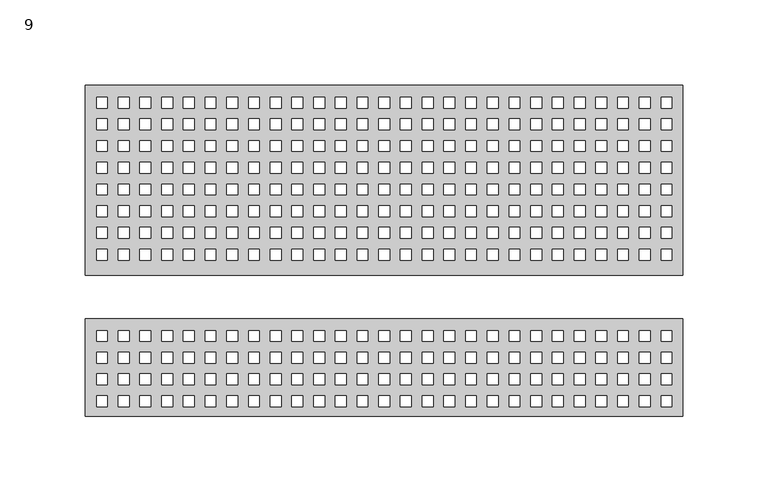
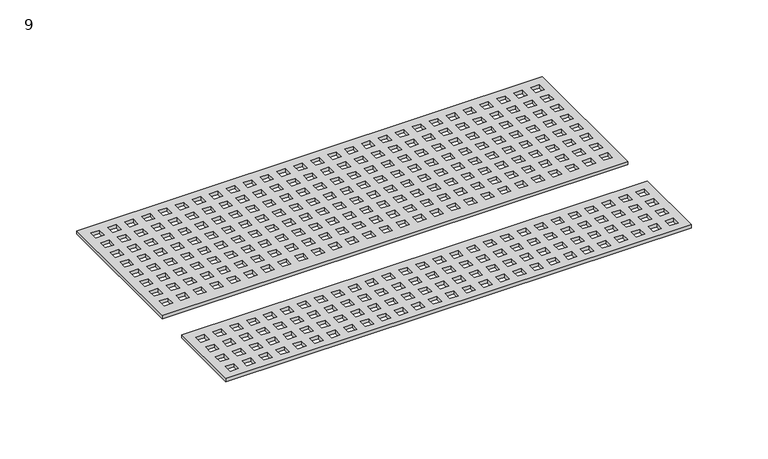
"""IFC4 building model written with IfcOpenShell, lengths in millimetres: furniture geometry, 9."""

from ifc_helpers import new_model, si_unit, frame, origin, place, context, project, spatial, polyline, outline, extrude, source, transform, mapped, element, save


def furniture_9_2f87063f(model_context):
    return source(origin(), model_context, "Body", "SweptSolid", [
        extrude(outline(polyline([(863.4796415, 220.472), (514.2296415, 220.472), (514.2296415, 277.622), (863.4796415, 277.622), (863.4796415, 220.472)]), holes=[polyline([(527.0542734, 226.2020787), (527.0542734, 232.5520787), (520.7042734, 232.5520787), (520.7042734, 226.2020787), (527.0542734, 226.2020787)]), polyline([(527.0542734, 238.9020787), (527.0542734, 245.2520787), (520.7042734, 245.2520787), (520.7042734, 238.9020787), (527.0542734, 238.9020787)]), polyline([(527.0542734, 251.6020787), (527.0542734, 257.9520787), (520.7042734, 257.9520787), (520.7042734, 251.6020787), (527.0542734, 251.6020787)]), polyline([(527.0542734, 264.3020787), (527.0542734, 270.6520787), (520.7042734, 270.6520787), (520.7042734, 264.3020787), (527.0542734, 264.3020787)]), polyline([(539.7542734, 226.2020787), (539.7542734, 232.5520787), (533.4042734, 232.5520787), (533.4042734, 226.2020787), (539.7542734, 226.2020787)]), polyline([(539.7542734, 238.9020787), (539.7542734, 245.2520787), (533.4042734, 245.2520787), (533.4042734, 238.9020787), (539.7542734, 238.9020787)]), polyline([(539.7542734, 251.6020787), (539.7542734, 257.9520787), (533.4042734, 257.9520787), (533.4042734, 251.6020787), (539.7542734, 251.6020787)]), polyline([(539.7542734, 264.3020787), (539.7542734, 270.6520787), (533.4042734, 270.6520787), (533.4042734, 264.3020787), (539.7542734, 264.3020787)]), polyline([(552.4542734, 226.2020787), (552.4542734, 232.5520787), (546.1042734, 232.5520787), (546.1042734, 226.2020787), (552.4542734, 226.2020787)]), polyline([(552.4542734, 238.9020787), (552.4542734, 245.2520787), (546.1042734, 245.2520787), (546.1042734, 238.9020787), (552.4542734, 238.9020787)]), polyline([(552.4542734, 251.6020787), (552.4542734, 257.9520787), (546.1042734, 257.9520787), (546.1042734, 251.6020787), (552.4542734, 251.6020787)]), polyline([(552.4542734, 264.3020787), (552.4542734, 270.6520787), (546.1042734, 270.6520787), (546.1042734, 264.3020787), (552.4542734, 264.3020787)]), polyline([(565.1542734, 226.2020787), (565.1542734, 232.5520787), (558.8042734, 232.5520787), (558.8042734, 226.2020787), (565.1542734, 226.2020787)]), polyline([(565.1542734, 238.9020787), (565.1542734, 245.2520787), (558.8042734, 245.2520787), (558.8042734, 238.9020787), (565.1542734, 238.9020787)]), polyline([(565.1542734, 251.6020787), (565.1542734, 257.9520787), (558.8042734, 257.9520787), (558.8042734, 251.6020787), (565.1542734, 251.6020787)]), polyline([(565.1542734, 264.3020787), (565.1542734, 270.6520787), (558.8042734, 270.6520787), (558.8042734, 264.3020787), (565.1542734, 264.3020787)]), polyline([(577.8542734, 226.2020787), (577.8542734, 232.5520787), (571.5042734, 232.5520787), (571.5042734, 226.2020787), (577.8542734, 226.2020787)]), polyline([(577.8542734, 238.9020787), (577.8542734, 245.2520787), (571.5042734, 245.2520787), (571.5042734, 238.9020787), (577.8542734, 238.9020787)]), polyline([(577.8542734, 251.6020787), (577.8542734, 257.9520787), (571.5042734, 257.9520787), (571.5042734, 251.6020787), (577.8542734, 251.6020787)]), polyline([(577.8542734, 264.3020787), (577.8542734, 270.6520787), (571.5042734, 270.6520787), (571.5042734, 264.3020787), (577.8542734, 264.3020787)]), polyline([(590.5542734, 226.2020787), (590.5542734, 232.5520787), (584.2042734, 232.5520787), (584.2042734, 226.2020787), (590.5542734, 226.2020787)]), polyline([(590.5542734, 238.9020787), (590.5542734, 245.2520787), (584.2042734, 245.2520787), (584.2042734, 238.9020787), (590.5542734, 238.9020787)]), polyline([(590.5542734, 251.6020787), (590.5542734, 257.9520787), (584.2042734, 257.9520787), (584.2042734, 251.6020787), (590.5542734, 251.6020787)]), polyline([(590.5542734, 264.3020787), (590.5542734, 270.6520787), (584.2042734, 270.6520787), (584.2042734, 264.3020787), (590.5542734, 264.3020787)]), polyline([(603.2542734, 226.2020787), (603.2542734, 232.5520787), (596.9042734, 232.5520787), (596.9042734, 226.2020787), (603.2542734, 226.2020787)]), polyline([(603.2542734, 238.9020787), (603.2542734, 245.2520787), (596.9042734, 245.2520787), (596.9042734, 238.9020787), (603.2542734, 238.9020787)]), polyline([(603.2542734, 251.6020787), (603.2542734, 257.9520787), (596.9042734, 257.9520787), (596.9042734, 251.6020787), (603.2542734, 251.6020787)]), polyline([(603.2542734, 264.3020787), (603.2542734, 270.6520787), (596.9042734, 270.6520787), (596.9042734, 264.3020787), (603.2542734, 264.3020787)]), polyline([(615.9542734, 226.2020787), (615.9542734, 232.5520787), (609.6042734, 232.5520787), (609.6042734, 226.2020787), (615.9542734, 226.2020787)]), polyline([(615.9542734, 238.9020787), (615.9542734, 245.2520787), (609.6042734, 245.2520787), (609.6042734, 238.9020787), (615.9542734, 238.9020787)]), polyline([(615.9542734, 251.6020787), (615.9542734, 257.9520787), (609.6042734, 257.9520787), (609.6042734, 251.6020787), (615.9542734, 251.6020787)]), polyline([(615.9542734, 264.3020787), (615.9542734, 270.6520787), (609.6042734, 270.6520787), (609.6042734, 264.3020787), (615.9542734, 264.3020787)]), polyline([(628.6542734, 226.2020787), (628.6542734, 232.5520787), (622.3042734, 232.5520787), (622.3042734, 226.2020787), (628.6542734, 226.2020787)]), polyline([(628.6542734, 238.9020787), (628.6542734, 245.2520787), (622.3042734, 245.2520787), (622.3042734, 238.9020787), (628.6542734, 238.9020787)]), polyline([(628.6542734, 251.6020787), (628.6542734, 257.9520787), (622.3042734, 257.9520787), (622.3042734, 251.6020787), (628.6542734, 251.6020787)]), polyline([(628.6542734, 264.3020787), (628.6542734, 270.6520787), (622.3042734, 270.6520787), (622.3042734, 264.3020787), (628.6542734, 264.3020787)]), polyline([(641.3542734, 226.2020787), (641.3542734, 232.5520787), (635.0042734, 232.5520787), (635.0042734, 226.2020787), (641.3542734, 226.2020787)]), polyline([(641.3542734, 238.9020787), (641.3542734, 245.2520787), (635.0042734, 245.2520787), (635.0042734, 238.9020787), (641.3542734, 238.9020787)]), polyline([(641.3542734, 251.6020787), (641.3542734, 257.9520787), (635.0042734, 257.9520787), (635.0042734, 251.6020787), (641.3542734, 251.6020787)]), polyline([(641.3542734, 264.3020787), (641.3542734, 270.6520787), (635.0042734, 270.6520787), (635.0042734, 264.3020787), (641.3542734, 264.3020787)]), polyline([(654.0542734, 226.2020787), (654.0542734, 232.5520787), (647.7042734, 232.5520787), (647.7042734, 226.2020787), (654.0542734, 226.2020787)]), polyline([(654.0542734, 238.9020787), (654.0542734, 245.2520787), (647.7042734, 245.2520787), (647.7042734, 238.9020787), (654.0542734, 238.9020787)]), polyline([(654.0542734, 251.6020787), (654.0542734, 257.9520787), (647.7042734, 257.9520787), (647.7042734, 251.6020787), (654.0542734, 251.6020787)]), polyline([(654.0542734, 264.3020787), (654.0542734, 270.6520787), (647.7042734, 270.6520787), (647.7042734, 264.3020787), (654.0542734, 264.3020787)]), polyline([(666.7542734, 226.2020787), (666.7542734, 232.5520787), (660.4042734, 232.5520787), (660.4042734, 226.2020787), (666.7542734, 226.2020787)]), polyline([(666.7542734, 238.9020787), (666.7542734, 245.2520787), (660.4042734, 245.2520787), (660.4042734, 238.9020787), (666.7542734, 238.9020787)]), polyline([(666.7542734, 251.6020787), (666.7542734, 257.9520787), (660.4042734, 257.9520787), (660.4042734, 251.6020787), (666.7542734, 251.6020787)]), polyline([(666.7542734, 264.3020787), (666.7542734, 270.6520787), (660.4042734, 270.6520787), (660.4042734, 264.3020787), (666.7542734, 264.3020787)]), polyline([(679.4542734, 226.2020787), (679.4542734, 232.5520787), (673.1042734, 232.5520787), (673.1042734, 226.2020787), (679.4542734, 226.2020787)]), polyline([(679.4542734, 238.9020787), (679.4542734, 245.2520787), (673.1042734, 245.2520787), (673.1042734, 238.9020787), (679.4542734, 238.9020787)]), polyline([(679.4542734, 251.6020787), (679.4542734, 257.9520787), (673.1042734, 257.9520787), (673.1042734, 251.6020787), (679.4542734, 251.6020787)]), polyline([(679.4542734, 264.3020787), (679.4542734, 270.6520787), (673.1042734, 270.6520787), (673.1042734, 264.3020787), (679.4542734, 264.3020787)]), polyline([(692.1542734, 226.2020787), (692.1542734, 232.5520787), (685.8042734, 232.5520787), (685.8042734, 226.2020787), (692.1542734, 226.2020787)]), polyline([(692.1542734, 238.9020787), (692.1542734, 245.2520787), (685.8042734, 245.2520787), (685.8042734, 238.9020787), (692.1542734, 238.9020787)]), polyline([(692.1542734, 251.6020787), (692.1542734, 257.9520787), (685.8042734, 257.9520787), (685.8042734, 251.6020787), (692.1542734, 251.6020787)]), polyline([(692.1542734, 264.3020787), (692.1542734, 270.6520787), (685.8042734, 270.6520787), (685.8042734, 264.3020787), (692.1542734, 264.3020787)]), polyline([(704.8542734, 226.2020787), (704.8542734, 232.5520787), (698.5042734, 232.5520787), (698.5042734, 226.2020787), (704.8542734, 226.2020787)]), polyline([(704.8542734, 238.9020787), (704.8542734, 245.2520787), (698.5042734, 245.2520787), (698.5042734, 238.9020787), (704.8542734, 238.9020787)]), polyline([(704.8542734, 251.6020787), (704.8542734, 257.9520787), (698.5042734, 257.9520787), (698.5042734, 251.6020787), (704.8542734, 251.6020787)]), polyline([(704.8542734, 264.3020787), (704.8542734, 270.6520787), (698.5042734, 270.6520787), (698.5042734, 264.3020787), (704.8542734, 264.3020787)]), polyline([(717.5542734, 226.2020787), (717.5542734, 232.5520787), (711.2042734, 232.5520787), (711.2042734, 226.2020787), (717.5542734, 226.2020787)]), polyline([(717.5542734, 238.9020787), (717.5542734, 245.2520787), (711.2042734, 245.2520787), (711.2042734, 238.9020787), (717.5542734, 238.9020787)]), polyline([(717.5542734, 251.6020787), (717.5542734, 257.9520787), (711.2042734, 257.9520787), (711.2042734, 251.6020787), (717.5542734, 251.6020787)]), polyline([(717.5542734, 264.3020787), (717.5542734, 270.6520787), (711.2042734, 270.6520787), (711.2042734, 264.3020787), (717.5542734, 264.3020787)]), polyline([(730.2542734, 226.2020787), (730.2542734, 232.5520787), (723.9042734, 232.5520787), (723.9042734, 226.2020787), (730.2542734, 226.2020787)]), polyline([(730.2542734, 238.9020787), (730.2542734, 245.2520787), (723.9042734, 245.2520787), (723.9042734, 238.9020787), (730.2542734, 238.9020787)]), polyline([(730.2542734, 251.6020787), (730.2542734, 257.9520787), (723.9042734, 257.9520787), (723.9042734, 251.6020787), (730.2542734, 251.6020787)]), polyline([(730.2542734, 264.3020787), (730.2542734, 270.6520787), (723.9042734, 270.6520787), (723.9042734, 264.3020787), (730.2542734, 264.3020787)]), polyline([(742.9542734, 226.2020787), (742.9542734, 232.5520787), (736.6042734, 232.5520787), (736.6042734, 226.2020787), (742.9542734, 226.2020787)]), polyline([(742.9542734, 238.9020787), (742.9542734, 245.2520787), (736.6042734, 245.2520787), (736.6042734, 238.9020787), (742.9542734, 238.9020787)]), polyline([(742.9542734, 251.6020787), (742.9542734, 257.9520787), (736.6042734, 257.9520787), (736.6042734, 251.6020787), (742.9542734, 251.6020787)]), polyline([(742.9542734, 264.3020787), (742.9542734, 270.6520787), (736.6042734, 270.6520787), (736.6042734, 264.3020787), (742.9542734, 264.3020787)]), polyline([(755.6542734, 226.2020787), (755.6542734, 232.5520787), (749.3042734, 232.5520787), (749.3042734, 226.2020787), (755.6542734, 226.2020787)]), polyline([(755.6542734, 238.9020787), (755.6542734, 245.2520787), (749.3042734, 245.2520787), (749.3042734, 238.9020787), (755.6542734, 238.9020787)]), polyline([(755.6542734, 251.6020787), (755.6542734, 257.9520787), (749.3042734, 257.9520787), (749.3042734, 251.6020787), (755.6542734, 251.6020787)]), polyline([(755.6542734, 264.3020787), (755.6542734, 270.6520787), (749.3042734, 270.6520787), (749.3042734, 264.3020787), (755.6542734, 264.3020787)]), polyline([(768.3542734, 226.2020787), (768.3542734, 232.5520787), (762.0042734, 232.5520787), (762.0042734, 226.2020787), (768.3542734, 226.2020787)]), polyline([(768.3542734, 238.9020787), (768.3542734, 245.2520787), (762.0042734, 245.2520787), (762.0042734, 238.9020787), (768.3542734, 238.9020787)]), polyline([(768.3542734, 251.6020787), (768.3542734, 257.9520787), (762.0042734, 257.9520787), (762.0042734, 251.6020787), (768.3542734, 251.6020787)]), polyline([(768.3542734, 264.3020787), (768.3542734, 270.6520787), (762.0042734, 270.6520787), (762.0042734, 264.3020787), (768.3542734, 264.3020787)]), polyline([(781.0542734, 226.2020787), (781.0542734, 232.5520787), (774.7042734, 232.5520787), (774.7042734, 226.2020787), (781.0542734, 226.2020787)]), polyline([(781.0542734, 238.9020787), (781.0542734, 245.2520787), (774.7042734, 245.2520787), (774.7042734, 238.9020787), (781.0542734, 238.9020787)]), polyline([(781.0542734, 251.6020787), (781.0542734, 257.9520787), (774.7042734, 257.9520787), (774.7042734, 251.6020787), (781.0542734, 251.6020787)]), polyline([(781.0542734, 264.3020787), (781.0542734, 270.6520787), (774.7042734, 270.6520787), (774.7042734, 264.3020787), (781.0542734, 264.3020787)]), polyline([(793.7542734, 226.2020787), (793.7542734, 232.5520787), (787.4042734, 232.5520787), (787.4042734, 226.2020787), (793.7542734, 226.2020787)]), polyline([(793.7542734, 238.9020787), (793.7542734, 245.2520787), (787.4042734, 245.2520787), (787.4042734, 238.9020787), (793.7542734, 238.9020787)]), polyline([(793.7542734, 251.6020787), (793.7542734, 257.9520787), (787.4042734, 257.9520787), (787.4042734, 251.6020787), (793.7542734, 251.6020787)]), polyline([(793.7542734, 264.3020787), (793.7542734, 270.6520787), (787.4042734, 270.6520787), (787.4042734, 264.3020787), (793.7542734, 264.3020787)]), polyline([(806.4542734, 226.2020787), (806.4542734, 232.5520787), (800.1042734, 232.5520787), (800.1042734, 226.2020787), (806.4542734, 226.2020787)]), polyline([(806.4542734, 238.9020787), (806.4542734, 245.2520787), (800.1042734, 245.2520787), (800.1042734, 238.9020787), (806.4542734, 238.9020787)]), polyline([(806.4542734, 251.6020787), (806.4542734, 257.9520787), (800.1042734, 257.9520787), (800.1042734, 251.6020787), (806.4542734, 251.6020787)]), polyline([(806.4542734, 264.3020787), (806.4542734, 270.6520787), (800.1042734, 270.6520787), (800.1042734, 264.3020787), (806.4542734, 264.3020787)]), polyline([(819.1542734, 226.2020787), (819.1542734, 232.5520787), (812.8042734, 232.5520787), (812.8042734, 226.2020787), (819.1542734, 226.2020787)]), polyline([(819.1542734, 238.9020787), (819.1542734, 245.2520787), (812.8042734, 245.2520787), (812.8042734, 238.9020787), (819.1542734, 238.9020787)]), polyline([(819.1542734, 251.6020787), (819.1542734, 257.9520787), (812.8042734, 257.9520787), (812.8042734, 251.6020787), (819.1542734, 251.6020787)]), polyline([(819.1542734, 264.3020787), (819.1542734, 270.6520787), (812.8042734, 270.6520787), (812.8042734, 264.3020787), (819.1542734, 264.3020787)]), polyline([(831.8542734, 226.2020787), (831.8542734, 232.5520787), (825.5042734, 232.5520787), (825.5042734, 226.2020787), (831.8542734, 226.2020787)]), polyline([(831.8542734, 238.9020787), (831.8542734, 245.2520787), (825.5042734, 245.2520787), (825.5042734, 238.9020787), (831.8542734, 238.9020787)]), polyline([(831.8542734, 251.6020787), (831.8542734, 257.9520787), (825.5042734, 257.9520787), (825.5042734, 251.6020787), (831.8542734, 251.6020787)]), polyline([(831.8542734, 264.3020787), (831.8542734, 270.6520787), (825.5042734, 270.6520787), (825.5042734, 264.3020787), (831.8542734, 264.3020787)]), polyline([(844.5542734, 226.2020787), (844.5542734, 232.5520787), (838.2042734, 232.5520787), (838.2042734, 226.2020787), (844.5542734, 226.2020787)]), polyline([(844.5542734, 238.9020787), (844.5542734, 245.2520787), (838.2042734, 245.2520787), (838.2042734, 238.9020787), (844.5542734, 238.9020787)]), polyline([(844.5542734, 251.6020787), (844.5542734, 257.9520787), (838.2042734, 257.9520787), (838.2042734, 251.6020787), (844.5542734, 251.6020787)]), polyline([(844.5542734, 264.3020787), (844.5542734, 270.6520787), (838.2042734, 270.6520787), (838.2042734, 264.3020787), (844.5542734, 264.3020787)]), polyline([(857.2542734, 226.2020787), (857.2542734, 232.5520787), (850.9042734, 232.5520787), (850.9042734, 226.2020787), (857.2542734, 226.2020787)]), polyline([(857.2542734, 238.9020787), (857.2542734, 245.2520787), (850.9042734, 245.2520787), (850.9042734, 238.9020787), (857.2542734, 238.9020787)]), polyline([(857.2542734, 251.6020787), (857.2542734, 257.9520787), (850.9042734, 257.9520787), (850.9042734, 251.6020787), (857.2542734, 251.6020787)]), polyline([(857.2542734, 264.3020787), (857.2542734, 270.6520787), (850.9042734, 270.6520787), (850.9042734, 264.3020787), (857.2542734, 264.3020787)])]), frame((0.0, 0.0, 739.775), z_axis=(0.0, 0.0, 1.0), x_axis=(1.0, 0.0, 0.0)), (0.0, 0.0, 1.0), 2.54),
        extrude(outline(polyline([(863.4796415, 303.022), (514.2296415, 303.022), (514.2296415, 414.02), (863.4796415, 414.02), (863.4796415, 303.022)]), holes=[polyline([(527.0542734, 311.9270787), (527.0542734, 318.2770787), (520.7042734, 318.2770787), (520.7042734, 311.9270787), (527.0542734, 311.9270787)]), polyline([(527.0542734, 324.6270787), (527.0542734, 330.9770787), (520.7042734, 330.9770787), (520.7042734, 324.6270787), (527.0542734, 324.6270787)]), polyline([(527.0542734, 337.3270787), (527.0542734, 343.6770787), (520.7042734, 343.6770787), (520.7042734, 337.3270787), (527.0542734, 337.3270787)]), polyline([(527.0542734, 350.0270787), (527.0542734, 356.3770787), (520.7042734, 356.3770787), (520.7042734, 350.0270787), (527.0542734, 350.0270787)]), polyline([(539.7542734, 311.9270787), (539.7542734, 318.2770787), (533.4042734, 318.2770787), (533.4042734, 311.9270787), (539.7542734, 311.9270787)]), polyline([(539.7542734, 324.6270787), (539.7542734, 330.9770787), (533.4042734, 330.9770787), (533.4042734, 324.6270787), (539.7542734, 324.6270787)]), polyline([(539.7542734, 337.3270787), (539.7542734, 343.6770787), (533.4042734, 343.6770787), (533.4042734, 337.3270787), (539.7542734, 337.3270787)]), polyline([(539.7542734, 350.0270787), (539.7542734, 356.3770787), (533.4042734, 356.3770787), (533.4042734, 350.0270787), (539.7542734, 350.0270787)]), polyline([(552.4542734, 311.9270787), (552.4542734, 318.2770787), (546.1042734, 318.2770787), (546.1042734, 311.9270787), (552.4542734, 311.9270787)]), polyline([(552.4542734, 324.6270787), (552.4542734, 330.9770787), (546.1042734, 330.9770787), (546.1042734, 324.6270787), (552.4542734, 324.6270787)]), polyline([(552.4542734, 337.3270787), (552.4542734, 343.6770787), (546.1042734, 343.6770787), (546.1042734, 337.3270787), (552.4542734, 337.3270787)]), polyline([(552.4542734, 350.0270787), (552.4542734, 356.3770787), (546.1042734, 356.3770787), (546.1042734, 350.0270787), (552.4542734, 350.0270787)]), polyline([(565.1542734, 311.9270787), (565.1542734, 318.2770787), (558.8042734, 318.2770787), (558.8042734, 311.9270787), (565.1542734, 311.9270787)]), polyline([(565.1542734, 324.6270787), (565.1542734, 330.9770787), (558.8042734, 330.9770787), (558.8042734, 324.6270787), (565.1542734, 324.6270787)]), polyline([(565.1542734, 337.3270787), (565.1542734, 343.6770787), (558.8042734, 343.6770787), (558.8042734, 337.3270787), (565.1542734, 337.3270787)]), polyline([(565.1542734, 350.0270787), (565.1542734, 356.3770787), (558.8042734, 356.3770787), (558.8042734, 350.0270787), (565.1542734, 350.0270787)]), polyline([(577.8542734, 311.9270787), (577.8542734, 318.2770787), (571.5042734, 318.2770787), (571.5042734, 311.9270787), (577.8542734, 311.9270787)]), polyline([(577.8542734, 324.6270787), (577.8542734, 330.9770787), (571.5042734, 330.9770787), (571.5042734, 324.6270787), (577.8542734, 324.6270787)]), polyline([(577.8542734, 337.3270787), (577.8542734, 343.6770787), (571.5042734, 343.6770787), (571.5042734, 337.3270787), (577.8542734, 337.3270787)]), polyline([(577.8542734, 350.0270787), (577.8542734, 356.3770787), (571.5042734, 356.3770787), (571.5042734, 350.0270787), (577.8542734, 350.0270787)]), polyline([(590.5542734, 311.9270787), (590.5542734, 318.2770787), (584.2042734, 318.2770787), (584.2042734, 311.9270787), (590.5542734, 311.9270787)]), polyline([(590.5542734, 324.6270787), (590.5542734, 330.9770787), (584.2042734, 330.9770787), (584.2042734, 324.6270787), (590.5542734, 324.6270787)]), polyline([(590.5542734, 337.3270787), (590.5542734, 343.6770787), (584.2042734, 343.6770787), (584.2042734, 337.3270787), (590.5542734, 337.3270787)]), polyline([(590.5542734, 350.0270787), (590.5542734, 356.3770787), (584.2042734, 356.3770787), (584.2042734, 350.0270787), (590.5542734, 350.0270787)]), polyline([(603.2542734, 311.9270787), (603.2542734, 318.2770787), (596.9042734, 318.2770787), (596.9042734, 311.9270787), (603.2542734, 311.9270787)]), polyline([(603.2542734, 324.6270787), (603.2542734, 330.9770787), (596.9042734, 330.9770787), (596.9042734, 324.6270787), (603.2542734, 324.6270787)]), polyline([(603.2542734, 337.3270787), (603.2542734, 343.6770787), (596.9042734, 343.6770787), (596.9042734, 337.3270787), (603.2542734, 337.3270787)]), polyline([(603.2542734, 350.0270787), (603.2542734, 356.3770787), (596.9042734, 356.3770787), (596.9042734, 350.0270787), (603.2542734, 350.0270787)]), polyline([(615.9542734, 311.9270787), (615.9542734, 318.2770787), (609.6042734, 318.2770787), (609.6042734, 311.9270787), (615.9542734, 311.9270787)]), polyline([(615.9542734, 324.6270787), (615.9542734, 330.9770787), (609.6042734, 330.9770787), (609.6042734, 324.6270787), (615.9542734, 324.6270787)]), polyline([(615.9542734, 337.3270787), (615.9542734, 343.6770787), (609.6042734, 343.6770787), (609.6042734, 337.3270787), (615.9542734, 337.3270787)]), polyline([(615.9542734, 350.0270787), (615.9542734, 356.3770787), (609.6042734, 356.3770787), (609.6042734, 350.0270787), (615.9542734, 350.0270787)]), polyline([(628.6542734, 311.9270787), (628.6542734, 318.2770787), (622.3042734, 318.2770787), (622.3042734, 311.9270787), (628.6542734, 311.9270787)]), polyline([(628.6542734, 324.6270787), (628.6542734, 330.9770787), (622.3042734, 330.9770787), (622.3042734, 324.6270787), (628.6542734, 324.6270787)]), polyline([(628.6542734, 337.3270787), (628.6542734, 343.6770787), (622.3042734, 343.6770787), (622.3042734, 337.3270787), (628.6542734, 337.3270787)]), polyline([(628.6542734, 350.0270787), (628.6542734, 356.3770787), (622.3042734, 356.3770787), (622.3042734, 350.0270787), (628.6542734, 350.0270787)]), polyline([(641.3542734, 311.9270787), (641.3542734, 318.2770787), (635.0042734, 318.2770787), (635.0042734, 311.9270787), (641.3542734, 311.9270787)]), polyline([(641.3542734, 324.6270787), (641.3542734, 330.9770787), (635.0042734, 330.9770787), (635.0042734, 324.6270787), (641.3542734, 324.6270787)]), polyline([(641.3542734, 337.3270787), (641.3542734, 343.6770787), (635.0042734, 343.6770787), (635.0042734, 337.3270787), (641.3542734, 337.3270787)]), polyline([(641.3542734, 350.0270787), (641.3542734, 356.3770787), (635.0042734, 356.3770787), (635.0042734, 350.0270787), (641.3542734, 350.0270787)]), polyline([(654.0542734, 311.9270787), (654.0542734, 318.2770787), (647.7042734, 318.2770787), (647.7042734, 311.9270787), (654.0542734, 311.9270787)]), polyline([(654.0542734, 324.6270787), (654.0542734, 330.9770787), (647.7042734, 330.9770787), (647.7042734, 324.6270787), (654.0542734, 324.6270787)]), polyline([(654.0542734, 337.3270787), (654.0542734, 343.6770787), (647.7042734, 343.6770787), (647.7042734, 337.3270787), (654.0542734, 337.3270787)]), polyline([(654.0542734, 350.0270787), (654.0542734, 356.3770787), (647.7042734, 356.3770787), (647.7042734, 350.0270787), (654.0542734, 350.0270787)]), polyline([(666.7542734, 311.9270787), (666.7542734, 318.2770787), (660.4042734, 318.2770787), (660.4042734, 311.9270787), (666.7542734, 311.9270787)]), polyline([(666.7542734, 324.6270787), (666.7542734, 330.9770787), (660.4042734, 330.9770787), (660.4042734, 324.6270787), (666.7542734, 324.6270787)]), polyline([(666.7542734, 337.3270787), (666.7542734, 343.6770787), (660.4042734, 343.6770787), (660.4042734, 337.3270787), (666.7542734, 337.3270787)]), polyline([(666.7542734, 350.0270787), (666.7542734, 356.3770787), (660.4042734, 356.3770787), (660.4042734, 350.0270787), (666.7542734, 350.0270787)]), polyline([(679.4542734, 311.9270787), (679.4542734, 318.2770787), (673.1042734, 318.2770787), (673.1042734, 311.9270787), (679.4542734, 311.9270787)]), polyline([(679.4542734, 324.6270787), (679.4542734, 330.9770787), (673.1042734, 330.9770787), (673.1042734, 324.6270787), (679.4542734, 324.6270787)]), polyline([(679.4542734, 337.3270787), (679.4542734, 343.6770787), (673.1042734, 343.6770787), (673.1042734, 337.3270787), (679.4542734, 337.3270787)]), polyline([(679.4542734, 350.0270787), (679.4542734, 356.3770787), (673.1042734, 356.3770787), (673.1042734, 350.0270787), (679.4542734, 350.0270787)]), polyline([(692.1542734, 311.9270787), (692.1542734, 318.2770787), (685.8042734, 318.2770787), (685.8042734, 311.9270787), (692.1542734, 311.9270787)]), polyline([(692.1542734, 324.6270787), (692.1542734, 330.9770787), (685.8042734, 330.9770787), (685.8042734, 324.6270787), (692.1542734, 324.6270787)]), polyline([(692.1542734, 337.3270787), (692.1542734, 343.6770787), (685.8042734, 343.6770787), (685.8042734, 337.3270787), (692.1542734, 337.3270787)]), polyline([(692.1542734, 350.0270787), (692.1542734, 356.3770787), (685.8042734, 356.3770787), (685.8042734, 350.0270787), (692.1542734, 350.0270787)]), polyline([(704.8542734, 311.9270787), (704.8542734, 318.2770787), (698.5042734, 318.2770787), (698.5042734, 311.9270787), (704.8542734, 311.9270787)]), polyline([(704.8542734, 324.6270787), (704.8542734, 330.9770787), (698.5042734, 330.9770787), (698.5042734, 324.6270787), (704.8542734, 324.6270787)]), polyline([(704.8542734, 337.3270787), (704.8542734, 343.6770787), (698.5042734, 343.6770787), (698.5042734, 337.3270787), (704.8542734, 337.3270787)]), polyline([(704.8542734, 350.0270787), (704.8542734, 356.3770787), (698.5042734, 356.3770787), (698.5042734, 350.0270787), (704.8542734, 350.0270787)]), polyline([(717.5542734, 311.9270787), (717.5542734, 318.2770787), (711.2042734, 318.2770787), (711.2042734, 311.9270787), (717.5542734, 311.9270787)]), polyline([(717.5542734, 324.6270787), (717.5542734, 330.9770787), (711.2042734, 330.9770787), (711.2042734, 324.6270787), (717.5542734, 324.6270787)]), polyline([(717.5542734, 337.3270787), (717.5542734, 343.6770787), (711.2042734, 343.6770787), (711.2042734, 337.3270787), (717.5542734, 337.3270787)]), polyline([(717.5542734, 350.0270787), (717.5542734, 356.3770787), (711.2042734, 356.3770787), (711.2042734, 350.0270787), (717.5542734, 350.0270787)]), polyline([(730.2542734, 311.9270787), (730.2542734, 318.2770787), (723.9042734, 318.2770787), (723.9042734, 311.9270787), (730.2542734, 311.9270787)]), polyline([(730.2542734, 324.6270787), (730.2542734, 330.9770787), (723.9042734, 330.9770787), (723.9042734, 324.6270787), (730.2542734, 324.6270787)]), polyline([(730.2542734, 337.3270787), (730.2542734, 343.6770787), (723.9042734, 343.6770787), (723.9042734, 337.3270787), (730.2542734, 337.3270787)]), polyline([(730.2542734, 350.0270787), (730.2542734, 356.3770787), (723.9042734, 356.3770787), (723.9042734, 350.0270787), (730.2542734, 350.0270787)]), polyline([(742.9542734, 311.9270787), (742.9542734, 318.2770787), (736.6042734, 318.2770787), (736.6042734, 311.9270787), (742.9542734, 311.9270787)]), polyline([(742.9542734, 324.6270787), (742.9542734, 330.9770787), (736.6042734, 330.9770787), (736.6042734, 324.6270787), (742.9542734, 324.6270787)]), polyline([(742.9542734, 337.3270787), (742.9542734, 343.6770787), (736.6042734, 343.6770787), (736.6042734, 337.3270787), (742.9542734, 337.3270787)]), polyline([(742.9542734, 350.0270787), (742.9542734, 356.3770787), (736.6042734, 356.3770787), (736.6042734, 350.0270787), (742.9542734, 350.0270787)]), polyline([(755.6542734, 311.9270787), (755.6542734, 318.2770787), (749.3042734, 318.2770787), (749.3042734, 311.9270787), (755.6542734, 311.9270787)]), polyline([(755.6542734, 324.6270787), (755.6542734, 330.9770787), (749.3042734, 330.9770787), (749.3042734, 324.6270787), (755.6542734, 324.6270787)]), polyline([(755.6542734, 337.3270787), (755.6542734, 343.6770787), (749.3042734, 343.6770787), (749.3042734, 337.3270787), (755.6542734, 337.3270787)]), polyline([(755.6542734, 350.0270787), (755.6542734, 356.3770787), (749.3042734, 356.3770787), (749.3042734, 350.0270787), (755.6542734, 350.0270787)]), polyline([(768.3542734, 311.9270787), (768.3542734, 318.2770787), (762.0042734, 318.2770787), (762.0042734, 311.9270787), (768.3542734, 311.9270787)]), polyline([(768.3542734, 324.6270787), (768.3542734, 330.9770787), (762.0042734, 330.9770787), (762.0042734, 324.6270787), (768.3542734, 324.6270787)]), polyline([(768.3542734, 337.3270787), (768.3542734, 343.6770787), (762.0042734, 343.6770787), (762.0042734, 337.3270787), (768.3542734, 337.3270787)]), polyline([(768.3542734, 350.0270787), (768.3542734, 356.3770787), (762.0042734, 356.3770787), (762.0042734, 350.0270787), (768.3542734, 350.0270787)]), polyline([(781.0542734, 311.9270787), (781.0542734, 318.2770787), (774.7042734, 318.2770787), (774.7042734, 311.9270787), (781.0542734, 311.9270787)]), polyline([(781.0542734, 324.6270787), (781.0542734, 330.9770787), (774.7042734, 330.9770787), (774.7042734, 324.6270787), (781.0542734, 324.6270787)]), polyline([(781.0542734, 337.3270787), (781.0542734, 343.6770787), (774.7042734, 343.6770787), (774.7042734, 337.3270787), (781.0542734, 337.3270787)]), polyline([(781.0542734, 350.0270787), (781.0542734, 356.3770787), (774.7042734, 356.3770787), (774.7042734, 350.0270787), (781.0542734, 350.0270787)]), polyline([(793.7542734, 311.9270787), (793.7542734, 318.2770787), (787.4042734, 318.2770787), (787.4042734, 311.9270787), (793.7542734, 311.9270787)]), polyline([(793.7542734, 324.6270787), (793.7542734, 330.9770787), (787.4042734, 330.9770787), (787.4042734, 324.6270787), (793.7542734, 324.6270787)]), polyline([(793.7542734, 337.3270787), (793.7542734, 343.6770787), (787.4042734, 343.6770787), (787.4042734, 337.3270787), (793.7542734, 337.3270787)]), polyline([(793.7542734, 350.0270787), (793.7542734, 356.3770787), (787.4042734, 356.3770787), (787.4042734, 350.0270787), (793.7542734, 350.0270787)]), polyline([(806.4542734, 311.9270787), (806.4542734, 318.2770787), (800.1042734, 318.2770787), (800.1042734, 311.9270787), (806.4542734, 311.9270787)]), polyline([(806.4542734, 324.6270787), (806.4542734, 330.9770787), (800.1042734, 330.9770787), (800.1042734, 324.6270787), (806.4542734, 324.6270787)]), polyline([(806.4542734, 337.3270787), (806.4542734, 343.6770787), (800.1042734, 343.6770787), (800.1042734, 337.3270787), (806.4542734, 337.3270787)]), polyline([(806.4542734, 350.0270787), (806.4542734, 356.3770787), (800.1042734, 356.3770787), (800.1042734, 350.0270787), (806.4542734, 350.0270787)]), polyline([(819.1542734, 311.9270787), (819.1542734, 318.2770787), (812.8042734, 318.2770787), (812.8042734, 311.9270787), (819.1542734, 311.9270787)]), polyline([(819.1542734, 324.6270787), (819.1542734, 330.9770787), (812.8042734, 330.9770787), (812.8042734, 324.6270787), (819.1542734, 324.6270787)]), polyline([(819.1542734, 337.3270787), (819.1542734, 343.6770787), (812.8042734, 343.6770787), (812.8042734, 337.3270787), (819.1542734, 337.3270787)]), polyline([(819.1542734, 350.0270787), (819.1542734, 356.3770787), (812.8042734, 356.3770787), (812.8042734, 350.0270787), (819.1542734, 350.0270787)]), polyline([(831.8542734, 311.9270787), (831.8542734, 318.2770787), (825.5042734, 318.2770787), (825.5042734, 311.9270787), (831.8542734, 311.9270787)]), polyline([(831.8542734, 324.6270787), (831.8542734, 330.9770787), (825.5042734, 330.9770787), (825.5042734, 324.6270787), (831.8542734, 324.6270787)]), polyline([(831.8542734, 337.3270787), (831.8542734, 343.6770787), (825.5042734, 343.6770787), (825.5042734, 337.3270787), (831.8542734, 337.3270787)]), polyline([(831.8542734, 350.0270787), (831.8542734, 356.3770787), (825.5042734, 356.3770787), (825.5042734, 350.0270787), (831.8542734, 350.0270787)]), polyline([(844.5542734, 311.9270787), (844.5542734, 318.2770787), (838.2042734, 318.2770787), (838.2042734, 311.9270787), (844.5542734, 311.9270787)]), polyline([(844.5542734, 324.6270787), (844.5542734, 330.9770787), (838.2042734, 330.9770787), (838.2042734, 324.6270787), (844.5542734, 324.6270787)]), polyline([(844.5542734, 337.3270787), (844.5542734, 343.6770787), (838.2042734, 343.6770787), (838.2042734, 337.3270787), (844.5542734, 337.3270787)]), polyline([(844.5542734, 350.0270787), (844.5542734, 356.3770787), (838.2042734, 356.3770787), (838.2042734, 350.0270787), (844.5542734, 350.0270787)]), polyline([(857.2542734, 311.9270787), (857.2542734, 318.2770787), (850.9042734, 318.2770787), (850.9042734, 311.9270787), (857.2542734, 311.9270787)]), polyline([(857.2542734, 324.6270787), (857.2542734, 330.9770787), (850.9042734, 330.9770787), (850.9042734, 324.6270787), (857.2542734, 324.6270787)]), polyline([(857.2542734, 337.3270787), (857.2542734, 343.6770787), (850.9042734, 343.6770787), (850.9042734, 337.3270787), (857.2542734, 337.3270787)]), polyline([(857.2542734, 350.0270787), (857.2542734, 356.3770787), (850.9042734, 356.3770787), (850.9042734, 350.0270787), (857.2542734, 350.0270787)]), polyline([(527.0542734, 362.7270787), (527.0542734, 369.0770787), (520.7042734, 369.0770787), (520.7042734, 362.7270787), (527.0542734, 362.7270787)]), polyline([(527.0542734, 375.4270787), (527.0542734, 381.7770787), (520.7042734, 381.7770787), (520.7042734, 375.4270787), (527.0542734, 375.4270787)]), polyline([(527.0542734, 388.1270787), (527.0542734, 394.4770787), (520.7042734, 394.4770787), (520.7042734, 388.1270787), (527.0542734, 388.1270787)]), polyline([(539.7542734, 362.7270787), (539.7542734, 369.0770787), (533.4042734, 369.0770787), (533.4042734, 362.7270787), (539.7542734, 362.7270787)]), polyline([(539.7542734, 375.4270787), (539.7542734, 381.7770787), (533.4042734, 381.7770787), (533.4042734, 375.4270787), (539.7542734, 375.4270787)]), polyline([(539.7542734, 388.1270787), (539.7542734, 394.4770787), (533.4042734, 394.4770787), (533.4042734, 388.1270787), (539.7542734, 388.1270787)]), polyline([(552.4542734, 362.7270787), (552.4542734, 369.0770787), (546.1042734, 369.0770787), (546.1042734, 362.7270787), (552.4542734, 362.7270787)]), polyline([(552.4542734, 375.4270787), (552.4542734, 381.7770787), (546.1042734, 381.7770787), (546.1042734, 375.4270787), (552.4542734, 375.4270787)]), polyline([(552.4542734, 388.1270787), (552.4542734, 394.4770787), (546.1042734, 394.4770787), (546.1042734, 388.1270787), (552.4542734, 388.1270787)]), polyline([(565.1542734, 362.7270787), (565.1542734, 369.0770787), (558.8042734, 369.0770787), (558.8042734, 362.7270787), (565.1542734, 362.7270787)]), polyline([(565.1542734, 375.4270787), (565.1542734, 381.7770787), (558.8042734, 381.7770787), (558.8042734, 375.4270787), (565.1542734, 375.4270787)]), polyline([(565.1542734, 388.1270787), (565.1542734, 394.4770787), (558.8042734, 394.4770787), (558.8042734, 388.1270787), (565.1542734, 388.1270787)]), polyline([(577.8542734, 362.7270787), (577.8542734, 369.0770787), (571.5042734, 369.0770787), (571.5042734, 362.7270787), (577.8542734, 362.7270787)]), polyline([(577.8542734, 375.4270787), (577.8542734, 381.7770787), (571.5042734, 381.7770787), (571.5042734, 375.4270787), (577.8542734, 375.4270787)]), polyline([(577.8542734, 388.1270787), (577.8542734, 394.4770787), (571.5042734, 394.4770787), (571.5042734, 388.1270787), (577.8542734, 388.1270787)]), polyline([(590.5542734, 362.7270787), (590.5542734, 369.0770787), (584.2042734, 369.0770787), (584.2042734, 362.7270787), (590.5542734, 362.7270787)]), polyline([(590.5542734, 375.4270787), (590.5542734, 381.7770787), (584.2042734, 381.7770787), (584.2042734, 375.4270787), (590.5542734, 375.4270787)]), polyline([(590.5542734, 388.1270787), (590.5542734, 394.4770787), (584.2042734, 394.4770787), (584.2042734, 388.1270787), (590.5542734, 388.1270787)]), polyline([(603.2542734, 362.7270787), (603.2542734, 369.0770787), (596.9042734, 369.0770787), (596.9042734, 362.7270787), (603.2542734, 362.7270787)]), polyline([(603.2542734, 375.4270787), (603.2542734, 381.7770787), (596.9042734, 381.7770787), (596.9042734, 375.4270787), (603.2542734, 375.4270787)]), polyline([(603.2542734, 388.1270787), (603.2542734, 394.4770787), (596.9042734, 394.4770787), (596.9042734, 388.1270787), (603.2542734, 388.1270787)]), polyline([(615.9542734, 362.7270787), (615.9542734, 369.0770787), (609.6042734, 369.0770787), (609.6042734, 362.7270787), (615.9542734, 362.7270787)]), polyline([(615.9542734, 375.4270787), (615.9542734, 381.7770787), (609.6042734, 381.7770787), (609.6042734, 375.4270787), (615.9542734, 375.4270787)]), polyline([(615.9542734, 388.1270787), (615.9542734, 394.4770787), (609.6042734, 394.4770787), (609.6042734, 388.1270787), (615.9542734, 388.1270787)]), polyline([(628.6542734, 362.7270787), (628.6542734, 369.0770787), (622.3042734, 369.0770787), (622.3042734, 362.7270787), (628.6542734, 362.7270787)]), polyline([(628.6542734, 375.4270787), (628.6542734, 381.7770787), (622.3042734, 381.7770787), (622.3042734, 375.4270787), (628.6542734, 375.4270787)]), polyline([(628.6542734, 388.1270787), (628.6542734, 394.4770787), (622.3042734, 394.4770787), (622.3042734, 388.1270787), (628.6542734, 388.1270787)]), polyline([(641.3542734, 362.7270787), (641.3542734, 369.0770787), (635.0042734, 369.0770787), (635.0042734, 362.7270787), (641.3542734, 362.7270787)]), polyline([(641.3542734, 375.4270787), (641.3542734, 381.7770787), (635.0042734, 381.7770787), (635.0042734, 375.4270787), (641.3542734, 375.4270787)]), polyline([(641.3542734, 388.1270787), (641.3542734, 394.4770787), (635.0042734, 394.4770787), (635.0042734, 388.1270787), (641.3542734, 388.1270787)]), polyline([(654.0542734, 362.7270787), (654.0542734, 369.0770787), (647.7042734, 369.0770787), (647.7042734, 362.7270787), (654.0542734, 362.7270787)]), polyline([(654.0542734, 375.4270787), (654.0542734, 381.7770787), (647.7042734, 381.7770787), (647.7042734, 375.4270787), (654.0542734, 375.4270787)]), polyline([(654.0542734, 388.1270787), (654.0542734, 394.4770787), (647.7042734, 394.4770787), (647.7042734, 388.1270787), (654.0542734, 388.1270787)]), polyline([(666.7542734, 362.7270787), (666.7542734, 369.0770787), (660.4042734, 369.0770787), (660.4042734, 362.7270787), (666.7542734, 362.7270787)]), polyline([(666.7542734, 375.4270787), (666.7542734, 381.7770787), (660.4042734, 381.7770787), (660.4042734, 375.4270787), (666.7542734, 375.4270787)]), polyline([(666.7542734, 388.1270787), (666.7542734, 394.4770787), (660.4042734, 394.4770787), (660.4042734, 388.1270787), (666.7542734, 388.1270787)]), polyline([(679.4542734, 362.7270787), (679.4542734, 369.0770787), (673.1042734, 369.0770787), (673.1042734, 362.7270787), (679.4542734, 362.7270787)]), polyline([(679.4542734, 375.4270787), (679.4542734, 381.7770787), (673.1042734, 381.7770787), (673.1042734, 375.4270787), (679.4542734, 375.4270787)]), polyline([(679.4542734, 388.1270787), (679.4542734, 394.4770787), (673.1042734, 394.4770787), (673.1042734, 388.1270787), (679.4542734, 388.1270787)]), polyline([(692.1542734, 362.7270787), (692.1542734, 369.0770787), (685.8042734, 369.0770787), (685.8042734, 362.7270787), (692.1542734, 362.7270787)]), polyline([(692.1542734, 375.4270787), (692.1542734, 381.7770787), (685.8042734, 381.7770787), (685.8042734, 375.4270787), (692.1542734, 375.4270787)]), polyline([(692.1542734, 388.1270787), (692.1542734, 394.4770787), (685.8042734, 394.4770787), (685.8042734, 388.1270787), (692.1542734, 388.1270787)]), polyline([(704.8542734, 362.7270787), (704.8542734, 369.0770787), (698.5042734, 369.0770787), (698.5042734, 362.7270787), (704.8542734, 362.7270787)]), polyline([(704.8542734, 375.4270787), (704.8542734, 381.7770787), (698.5042734, 381.7770787), (698.5042734, 375.4270787), (704.8542734, 375.4270787)]), polyline([(704.8542734, 388.1270787), (704.8542734, 394.4770787), (698.5042734, 394.4770787), (698.5042734, 388.1270787), (704.8542734, 388.1270787)]), polyline([(717.5542734, 362.7270787), (717.5542734, 369.0770787), (711.2042734, 369.0770787), (711.2042734, 362.7270787), (717.5542734, 362.7270787)]), polyline([(717.5542734, 375.4270787), (717.5542734, 381.7770787), (711.2042734, 381.7770787), (711.2042734, 375.4270787), (717.5542734, 375.4270787)]), polyline([(717.5542734, 388.1270787), (717.5542734, 394.4770787), (711.2042734, 394.4770787), (711.2042734, 388.1270787), (717.5542734, 388.1270787)]), polyline([(730.2542734, 362.7270787), (730.2542734, 369.0770787), (723.9042734, 369.0770787), (723.9042734, 362.7270787), (730.2542734, 362.7270787)]), polyline([(730.2542734, 375.4270787), (730.2542734, 381.7770787), (723.9042734, 381.7770787), (723.9042734, 375.4270787), (730.2542734, 375.4270787)]), polyline([(730.2542734, 388.1270787), (730.2542734, 394.4770787), (723.9042734, 394.4770787), (723.9042734, 388.1270787), (730.2542734, 388.1270787)]), polyline([(742.9542734, 362.7270787), (742.9542734, 369.0770787), (736.6042734, 369.0770787), (736.6042734, 362.7270787), (742.9542734, 362.7270787)]), polyline([(742.9542734, 375.4270787), (742.9542734, 381.7770787), (736.6042734, 381.7770787), (736.6042734, 375.4270787), (742.9542734, 375.4270787)]), polyline([(742.9542734, 388.1270787), (742.9542734, 394.4770787), (736.6042734, 394.4770787), (736.6042734, 388.1270787), (742.9542734, 388.1270787)]), polyline([(755.6542734, 362.7270787), (755.6542734, 369.0770787), (749.3042734, 369.0770787), (749.3042734, 362.7270787), (755.6542734, 362.7270787)]), polyline([(755.6542734, 375.4270787), (755.6542734, 381.7770787), (749.3042734, 381.7770787), (749.3042734, 375.4270787), (755.6542734, 375.4270787)]), polyline([(755.6542734, 388.1270787), (755.6542734, 394.4770787), (749.3042734, 394.4770787), (749.3042734, 388.1270787), (755.6542734, 388.1270787)]), polyline([(768.3542734, 362.7270787), (768.3542734, 369.0770787), (762.0042734, 369.0770787), (762.0042734, 362.7270787), (768.3542734, 362.7270787)]), polyline([(768.3542734, 375.4270787), (768.3542734, 381.7770787), (762.0042734, 381.7770787), (762.0042734, 375.4270787), (768.3542734, 375.4270787)]), polyline([(768.3542734, 388.1270787), (768.3542734, 394.4770787), (762.0042734, 394.4770787), (762.0042734, 388.1270787), (768.3542734, 388.1270787)]), polyline([(781.0542734, 362.7270787), (781.0542734, 369.0770787), (774.7042734, 369.0770787), (774.7042734, 362.7270787), (781.0542734, 362.7270787)]), polyline([(781.0542734, 375.4270787), (781.0542734, 381.7770787), (774.7042734, 381.7770787), (774.7042734, 375.4270787), (781.0542734, 375.4270787)]), polyline([(781.0542734, 388.1270787), (781.0542734, 394.4770787), (774.7042734, 394.4770787), (774.7042734, 388.1270787), (781.0542734, 388.1270787)]), polyline([(793.7542734, 362.7270787), (793.7542734, 369.0770787), (787.4042734, 369.0770787), (787.4042734, 362.7270787), (793.7542734, 362.7270787)]), polyline([(793.7542734, 375.4270787), (793.7542734, 381.7770787), (787.4042734, 381.7770787), (787.4042734, 375.4270787), (793.7542734, 375.4270787)]), polyline([(793.7542734, 388.1270787), (793.7542734, 394.4770787), (787.4042734, 394.4770787), (787.4042734, 388.1270787), (793.7542734, 388.1270787)]), polyline([(806.4542734, 362.7270787), (806.4542734, 369.0770787), (800.1042734, 369.0770787), (800.1042734, 362.7270787), (806.4542734, 362.7270787)]), polyline([(806.4542734, 375.4270787), (806.4542734, 381.7770787), (800.1042734, 381.7770787), (800.1042734, 375.4270787), (806.4542734, 375.4270787)]), polyline([(806.4542734, 388.1270787), (806.4542734, 394.4770787), (800.1042734, 394.4770787), (800.1042734, 388.1270787), (806.4542734, 388.1270787)]), polyline([(819.1542734, 362.7270787), (819.1542734, 369.0770787), (812.8042734, 369.0770787), (812.8042734, 362.7270787), (819.1542734, 362.7270787)]), polyline([(819.1542734, 375.4270787), (819.1542734, 381.7770787), (812.8042734, 381.7770787), (812.8042734, 375.4270787), (819.1542734, 375.4270787)]), polyline([(819.1542734, 388.1270787), (819.1542734, 394.4770787), (812.8042734, 394.4770787), (812.8042734, 388.1270787), (819.1542734, 388.1270787)]), polyline([(831.8542734, 362.7270787), (831.8542734, 369.0770787), (825.5042734, 369.0770787), (825.5042734, 362.7270787), (831.8542734, 362.7270787)]), polyline([(831.8542734, 375.4270787), (831.8542734, 381.7770787), (825.5042734, 381.7770787), (825.5042734, 375.4270787), (831.8542734, 375.4270787)]), polyline([(831.8542734, 388.1270787), (831.8542734, 394.4770787), (825.5042734, 394.4770787), (825.5042734, 388.1270787), (831.8542734, 388.1270787)]), polyline([(844.5542734, 362.7270787), (844.5542734, 369.0770787), (838.2042734, 369.0770787), (838.2042734, 362.7270787), (844.5542734, 362.7270787)]), polyline([(844.5542734, 375.4270787), (844.5542734, 381.7770787), (838.2042734, 381.7770787), (838.2042734, 375.4270787), (844.5542734, 375.4270787)]), polyline([(844.5542734, 388.1270787), (844.5542734, 394.4770787), (838.2042734, 394.4770787), (838.2042734, 388.1270787), (844.5542734, 388.1270787)]), polyline([(857.2542734, 362.7270787), (857.2542734, 369.0770787), (850.9042734, 369.0770787), (850.9042734, 362.7270787), (857.2542734, 362.7270787)]), polyline([(857.2542734, 375.4270787), (857.2542734, 381.7770787), (850.9042734, 381.7770787), (850.9042734, 375.4270787), (857.2542734, 375.4270787)]), polyline([(857.2542734, 388.1270787), (857.2542734, 394.4770787), (850.9042734, 394.4770787), (850.9042734, 388.1270787), (857.2542734, 388.1270787)]), polyline([(527.0542734, 400.8270787), (527.0542734, 407.1770787), (520.7042734, 407.1770787), (520.7042734, 400.8270787), (527.0542734, 400.8270787)]), polyline([(539.7542734, 400.8270787), (539.7542734, 407.1770787), (533.4042734, 407.1770787), (533.4042734, 400.8270787), (539.7542734, 400.8270787)]), polyline([(552.4542734, 400.8270787), (552.4542734, 407.1770787), (546.1042734, 407.1770787), (546.1042734, 400.8270787), (552.4542734, 400.8270787)]), polyline([(565.1542734, 400.8270787), (565.1542734, 407.1770787), (558.8042734, 407.1770787), (558.8042734, 400.8270787), (565.1542734, 400.8270787)]), polyline([(577.8542734, 400.8270787), (577.8542734, 407.1770787), (571.5042734, 407.1770787), (571.5042734, 400.8270787), (577.8542734, 400.8270787)]), polyline([(590.5542734, 400.8270787), (590.5542734, 407.1770787), (584.2042734, 407.1770787), (584.2042734, 400.8270787), (590.5542734, 400.8270787)]), polyline([(603.2542734, 400.8270787), (603.2542734, 407.1770787), (596.9042734, 407.1770787), (596.9042734, 400.8270787), (603.2542734, 400.8270787)]), polyline([(615.9542734, 400.8270787), (615.9542734, 407.1770787), (609.6042734, 407.1770787), (609.6042734, 400.8270787), (615.9542734, 400.8270787)]), polyline([(628.6542734, 400.8270787), (628.6542734, 407.1770787), (622.3042734, 407.1770787), (622.3042734, 400.8270787), (628.6542734, 400.8270787)]), polyline([(641.3542734, 400.8270787), (641.3542734, 407.1770787), (635.0042734, 407.1770787), (635.0042734, 400.8270787), (641.3542734, 400.8270787)]), polyline([(654.0542734, 400.8270787), (654.0542734, 407.1770787), (647.7042734, 407.1770787), (647.7042734, 400.8270787), (654.0542734, 400.8270787)]), polyline([(666.7542734, 400.8270787), (666.7542734, 407.1770787), (660.4042734, 407.1770787), (660.4042734, 400.8270787), (666.7542734, 400.8270787)]), polyline([(679.4542734, 400.8270787), (679.4542734, 407.1770787), (673.1042734, 407.1770787), (673.1042734, 400.8270787), (679.4542734, 400.8270787)]), polyline([(692.1542734, 400.8270787), (692.1542734, 407.1770787), (685.8042734, 407.1770787), (685.8042734, 400.8270787), (692.1542734, 400.8270787)]), polyline([(704.8542734, 400.8270787), (704.8542734, 407.1770787), (698.5042734, 407.1770787), (698.5042734, 400.8270787), (704.8542734, 400.8270787)]), polyline([(717.5542734, 400.8270787), (717.5542734, 407.1770787), (711.2042734, 407.1770787), (711.2042734, 400.8270787), (717.5542734, 400.8270787)]), polyline([(730.2542734, 400.8270787), (730.2542734, 407.1770787), (723.9042734, 407.1770787), (723.9042734, 400.8270787), (730.2542734, 400.8270787)]), polyline([(742.9542734, 400.8270787), (742.9542734, 407.1770787), (736.6042734, 407.1770787), (736.6042734, 400.8270787), (742.9542734, 400.8270787)]), polyline([(755.6542734, 400.8270787), (755.6542734, 407.1770787), (749.3042734, 407.1770787), (749.3042734, 400.8270787), (755.6542734, 400.8270787)]), polyline([(768.3542734, 400.8270787), (768.3542734, 407.1770787), (762.0042734, 407.1770787), (762.0042734, 400.8270787), (768.3542734, 400.8270787)]), polyline([(781.0542734, 400.8270787), (781.0542734, 407.1770787), (774.7042734, 407.1770787), (774.7042734, 400.8270787), (781.0542734, 400.8270787)]), polyline([(793.7542734, 400.8270787), (793.7542734, 407.1770787), (787.4042734, 407.1770787), (787.4042734, 400.8270787), (793.7542734, 400.8270787)]), polyline([(806.4542734, 400.8270787), (806.4542734, 407.1770787), (800.1042734, 407.1770787), (800.1042734, 400.8270787), (806.4542734, 400.8270787)]), polyline([(819.1542734, 400.8270787), (819.1542734, 407.1770787), (812.8042734, 407.1770787), (812.8042734, 400.8270787), (819.1542734, 400.8270787)]), polyline([(831.8542734, 400.8270787), (831.8542734, 407.1770787), (825.5042734, 407.1770787), (825.5042734, 400.8270787), (831.8542734, 400.8270787)]), polyline([(844.5542734, 400.8270787), (844.5542734, 407.1770787), (838.2042734, 407.1770787), (838.2042734, 400.8270787), (844.5542734, 400.8270787)]), polyline([(857.2542734, 400.8270787), (857.2542734, 407.1770787), (850.9042734, 407.1770787), (850.9042734, 400.8270787), (857.2542734, 400.8270787)])]), frame((0.0, 0.0, 739.775), z_axis=(0.0, 0.0, 1.0), x_axis=(1.0, 0.0, 0.0)), (0.0, 0.0, 1.0), 2.54),
    ])


if __name__ == "__main__":
    model = new_model("IFC4")
    model_context = context("Model", 3, world=origin())
    ifc_project = project(units=[si_unit("LENGTHUNIT", "METRE", prefix="MILLI")], contexts=[model_context])
    site = spatial("IfcSite", under=ifc_project)
    building = spatial("IfcBuilding", under=site)
    placement = place(None, origin())
    furniture_9_shape = furniture_9_2f87063f(model_context)
    element("IfcFurniture", 1, ObjectType="9", at=placement, inside=building, context=model_context, shape_type="MappedRepresentation", body=[
        mapped(furniture_9_shape, transform((0.0, 0.0, 0.0), x_axis=(1.0, 0.0, 0.0), y_axis=(0.0, 1.0, 0.0), z_axis=(0.0, 0.0, 1.0))),
    ])
    save(model, "model.ifc")
